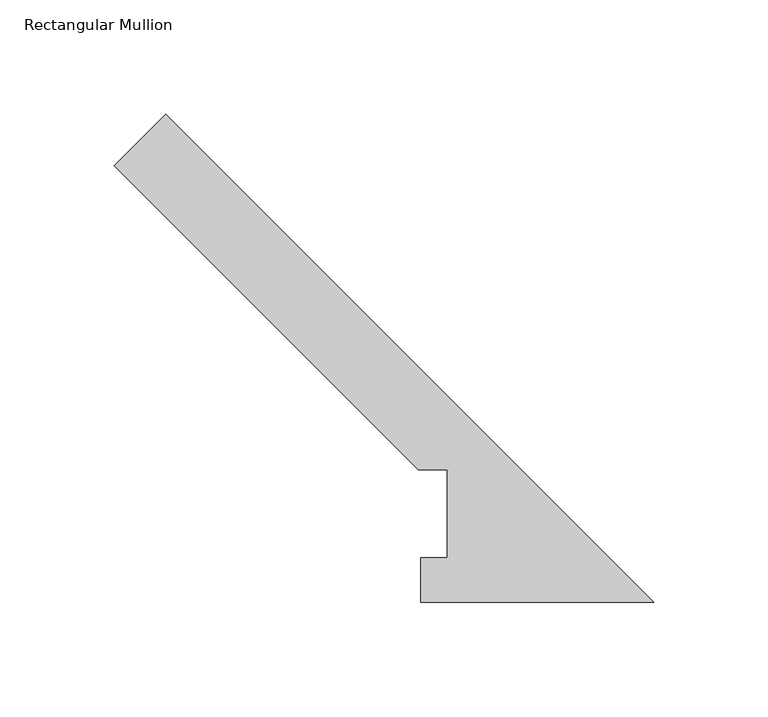
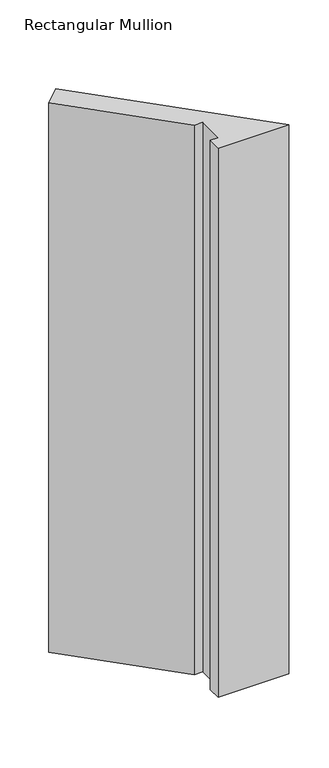
"""IFC4 building model written with IfcOpenShell, lengths in millimetres: member geometry, Rectangular Mullion."""

from ifc_helpers import new_model, si_unit, frame, origin, place, context, project, spatial, polyline, outline, extrude, source, transform, mapped, element, save


def rectangular_mullion_bd020ee3(model_context):
    return source(origin(), model_context, "Body", "SweptSolid", [
        extrude(outline(polyline([(-235.6923956, 190.8267224), (-213.2417553, 213.2773627), (0.0, 0.0356074), (-101.7012191, 0.0356074), (-101.7012191, 19.5682074), (-90.1094232, 19.5682074), (-90.1094232, 57.94375), (-102.8094232, 57.94375), (-235.6923956, 190.8267224)])), frame((0.0, 0.0, -838.2), z_axis=(0.0, 0.0, 1.0), x_axis=(1.0, 0.0, 0.0)), (0.0, 0.0, 1.0), 838.2),
    ])


if __name__ == "__main__":
    model = new_model("IFC4")
    model_context = context("Model", 3, world=origin())
    ifc_project = project(units=[si_unit("LENGTHUNIT", "METRE", prefix="MILLI")], contexts=[model_context])
    site = spatial("IfcSite", under=ifc_project)
    building = spatial("IfcBuilding", under=site)
    placement = place(None, origin())
    rectangular_mullion_shape = rectangular_mullion_bd020ee3(model_context)
    element("IfcMember", 1, ObjectType="Rectangular Mullion", at=placement, inside=building, context=model_context, shape_type="MappedRepresentation", body=[
        mapped(rectangular_mullion_shape, transform((0.0, 0.0, 0.0), x_axis=(1.0, 0.0, 0.0), y_axis=(0.0, 1.0, 0.0), z_axis=(0.0, 0.0, 1.0))),
    ])
    save(model, "model.ifc")
